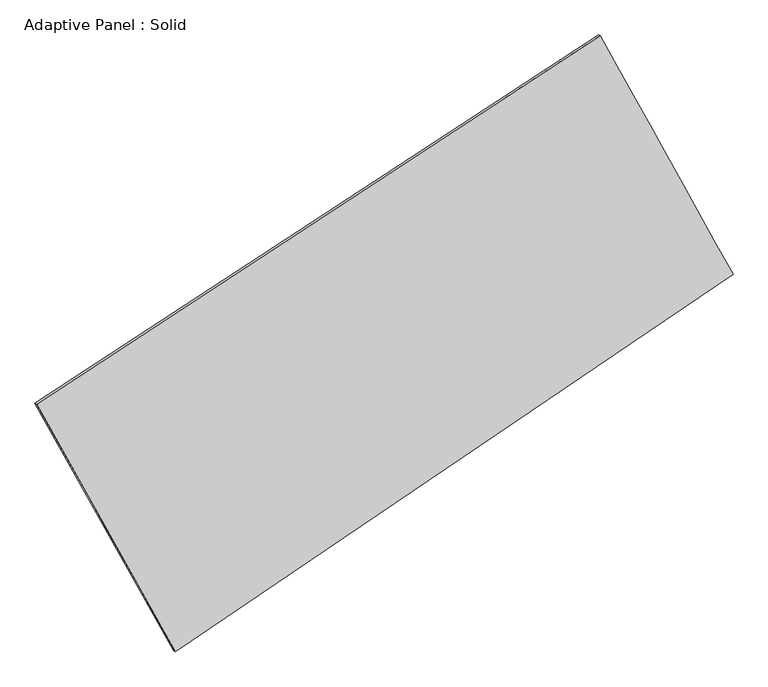
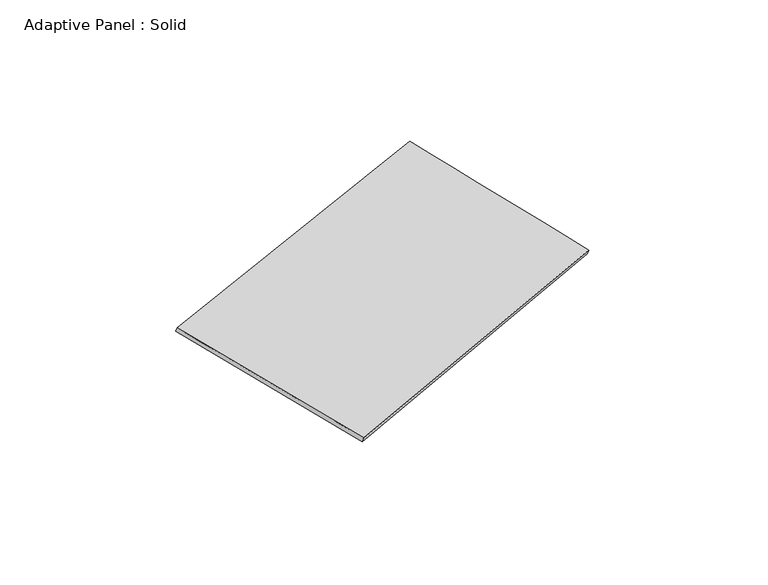
"""IFC4 building model written with IfcOpenShell, lengths in millimetres: plate geometry, Adaptive Panel : Solid."""

from ifc_helpers import new_model, si_unit, frame, origin, place, context, project, spatial, source, transform, mapped, element, save
from ifc_brep_helpers import plane_surface, spline_surface, advanced_brep


def adaptive_panel_solid_2fe9c8bb(model_context):
    return source(origin(), model_context, "Body", "AdvancedBrep", [
        advanced_brep(
        [(1188.41235, 2528.6859439, 665.1840324), (-3656.89333, -638.370584, 1720.469964), (-3642.2269741, -644.7506775, 1767.842872), (1203.0787058, 2522.3058504, 712.5569404), (-2465.4061299, -2766.8706731, 1082.8753741), (-2450.7397741, -2773.2507666, 1130.2482821), (2330.5965318, 476.3067404, 16.5931497), (2345.2628876, 469.9266469, 63.9660578)],
        [
            (0, 1),
            (1, 2),
            (2, 3),
            (3, 0),
            (1, 4),
            (4, 5),
            (5, 2),
            (4, 6),
            (6, 7),
            (7, 5),
            (6, 0),
            (3, 7),
        ],
        [
            plane_surface(frame((-1234.24049, 945.15768, 1192.8269982), z_axis=(-0.48708940203847517, 0.832823174360149, 0.2629628769816863), x_axis=(-0.8234784509323815, -0.5382535129651227, 0.17934992788041382))),
            plane_surface(frame((-3061.1497299, -1702.6206286, 1401.6726691), z_axis=(-0.8321563108940606, -0.521939545021461, 0.1873365569822877), x_axis=(0.4725787227836352, -0.8442254801533491, -0.2528886898064744))),
            plane_surface(frame((-67.4047991, -1145.2819664, 549.7342619), z_axis=(0.49884944826843547, -0.8250042813891916, -0.26555068000624904), x_axis=(0.8146765045963349, 0.5509047065628405, -0.181124810960863))),
            plane_surface(frame((1759.5044409, 1502.4963421, 340.8885911), z_axis=(0.8320089644248775, 0.5222035064791298, -0.18725538960880272), x_axis=(-0.4687418965450022, 0.8422775727609839, 0.2661757405310635))),
            spline_surface(1, 1, [[(-3642.2269741, -644.7506775, 1767.842872), (1203.0787058, 2522.3058504, 712.5569404)], [(-2450.7397741, -2773.2507666, 1130.2482821), (2345.2628876, 469.9266469, 63.9660578)]], [2, 2], [2, 2], [0.0, 1.0], [0.0, 1.0]),
            spline_surface(1, 1, [[(2330.5965318, 476.3067404, 16.5931497), (1188.41235, 2528.6859439, 665.1840324)], [(-2465.4061299, -2766.8706731, 1082.8753741), (-3656.89333, -638.370584, 1720.469964)]], [2, 2], [2, 2], [0.0, 1.0], [0.0, 1.0]),
        ],
        [
            (0, [[1, 2, 3, 4]]),
            (1, [[5, 6, 7, -2]]),
            (2, [[8, 9, 10, -6]]),
            (3, [[11, -4, 12, -9]]),
            (4, [[-3, -7, -10, -12]]),
            (5, [[-11, -8, -5, -1]]),
        ],
    ),
    ])


if __name__ == "__main__":
    model = new_model("IFC4")
    model_context = context("Model", 3, world=origin())
    ifc_project = project(units=[si_unit("LENGTHUNIT", "METRE", prefix="MILLI")], contexts=[model_context])
    site = spatial("IfcSite", under=ifc_project)
    building = spatial("IfcBuilding", under=site)
    placement = place(None, origin())
    adaptive_panel_solid_shape = adaptive_panel_solid_2fe9c8bb(model_context)
    element("IfcPlate", 1, ObjectType="Adaptive Panel : Solid", at=placement, inside=building, context=model_context, shape_type="MappedRepresentation", body=[
        mapped(adaptive_panel_solid_shape, transform((0.0, 0.0, 0.0), x_axis=(1.0, 0.0, 0.0), y_axis=(0.0, 1.0, 0.0), z_axis=(0.0, 0.0, 1.0))),
    ])
    save(model, "model.ifc")
